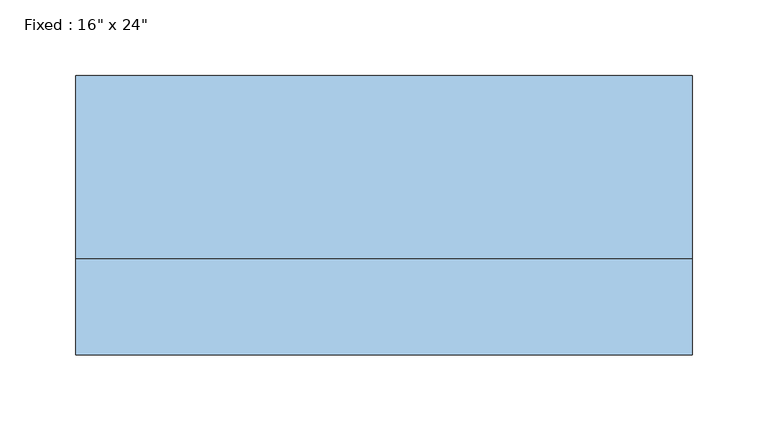
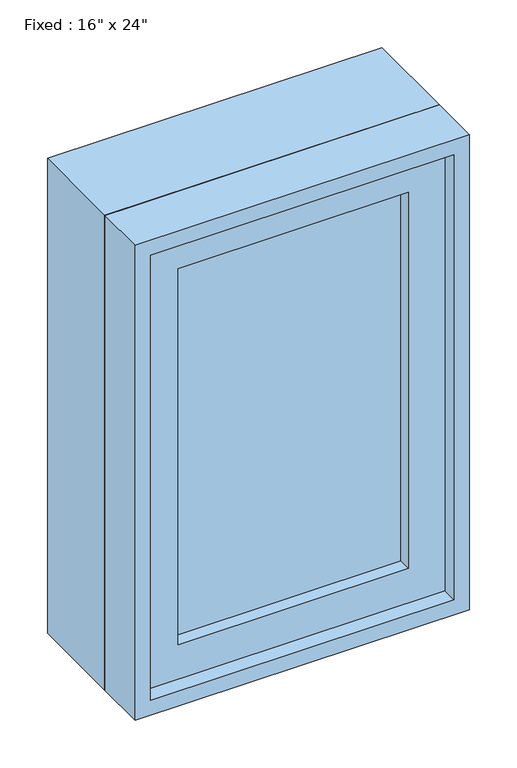
"""IFC4 building model written with IfcOpenShell, lengths in millimetres: window geometry."""

import ifcopenshell
import ifcopenshell.guid

model = None  # the IFC model being written
_history = None  # IfcOwnerHistory: only IFC2X3 demands one
_inside = {}  # id of a spatial element -> (the spatial element, [elements in it])
_under = {}  # id of a project, library or spatial element -> (it, [spatial elements below it])
_declared = {}  # id of a project -> (the project, [libraries it declares])
_typed = {}  # id of a type object -> (the type object, [elements of that type])
_made_of = {}  # id of a material, layer set ... -> (it, [elements and type objects made of it])


def new_model(schema):
    """Start an empty IFC model of exactly this schema.

    Asked for "IFC4X3", IfcOpenShell would pick the latest addendum, in which some entities
    have other attributes; the version numbers below select the first issue.
    IFC2X3 requires an IfcOwnerHistory on every rooted entity: one is made here for all.
    """
    global model, _history
    if schema == "IFC4X3":
        model = ifcopenshell.file(schema_version=(4, 3, 0, 0))
    else:
        model = ifcopenshell.file(schema=schema)
    _inside.clear()
    _under.clear()
    _declared.clear()
    _typed.clear()
    _made_of.clear()
    _history = None
    if model.schema == "IFC2X3":
        org = make("IfcOrganization", Name="unknown")
        user = make(
            "IfcPersonAndOrganization",
            ThePerson=make("IfcPerson", FamilyName="unknown"),
            TheOrganization=org,
        )
        app = make(
            "IfcApplication",
            ApplicationDeveloper=org,
            Version="unknown",
            ApplicationFullName="unknown",
            ApplicationIdentifier="unknown",
        )
        _history = make(
            "IfcOwnerHistory",
            OwningUser=user,
            OwningApplication=app,
            ChangeAction="ADDED",
            CreationDate=0,
        )
    return model


def make(cls, **values):
    """One entity of the class cls with the attributes given. An attribute that is None is left unset."""
    return model.create_entity(
        cls, **{name: value for name, value in values.items() if value is not None}
    )


def rooted(cls, **values):
    """An entity with a GlobalId (a new one), such as an element, a storey or a relation."""
    return make(cls, GlobalId=ifcopenshell.guid.new(), OwnerHistory=_history, **values)


def si_unit(unit_type, name, prefix=None):
    """IfcSIUnit, for example si_unit("LENGTHUNIT", "METRE", prefix="MILLI")."""
    return make("IfcSIUnit", UnitType=unit_type, Prefix=prefix, Name=name)


def assignment(units):
    """IfcUnitAssignment: the units of a project."""
    return None if units is None else make("IfcUnitAssignment", Units=units)


def point(xyz):
    """IfcCartesianPoint."""
    return None if xyz is None else make("IfcCartesianPoint", Coordinates=xyz)


def direction(xyz):
    """IfcDirection."""
    return None if xyz is None else make("IfcDirection", DirectionRatios=xyz)


def frame(location, z_axis=None, x_axis=None):
    """IfcAxis2Placement3D, a coordinate frame: its origin and axes. An axis left out is left unset."""
    return make(
        "IfcAxis2Placement3D",
        Location=point(location),
        Axis=direction(z_axis),
        RefDirection=direction(x_axis),
    )


def origin():
    """The frame at (0, 0, 0) with its axes left unset."""
    return frame((0.0, 0.0, 0.0))


def place(relative_to, where):
    """IfcLocalPlacement: puts the frame where relative to a parent placement (None: the world)."""
    return make(
        "IfcLocalPlacement", PlacementRelTo=relative_to, RelativePlacement=where
    )


def context(
    kind, dimensions, precision=None, world=None, true_north=None, identifier=None
):
    """IfcGeometricRepresentationContext, for example the 3D "Model" context."""
    return make(
        "IfcGeometricRepresentationContext",
        ContextIdentifier=identifier,
        ContextType=kind,
        CoordinateSpaceDimension=dimensions,
        Precision=precision,
        WorldCoordinateSystem=world,
        TrueNorth=true_north,
    )


def project(units=None, contexts=None):
    """IfcProject with its units and contexts."""
    return rooted(
        "IfcProject",
        Name="project",
        RepresentationContexts=contexts,
        UnitsInContext=assignment(units),
    )


def spatial(cls, under=None, at=None, **own):
    """A site, building, storey or space (cls), placed at a placement, below another one or the project."""
    s = rooted(cls, ObjectPlacement=at, **own)
    if under is not None:
        _under.setdefault(under.id(), (under, []))[1].append(s)
    return s


def polyline(points):
    """IfcPolyline through the points."""
    return make("IfcPolyline", Points=[point(p) for p in points])


def outline(outer, holes=None, kind="AREA"):
    """IfcArbitraryClosedProfileDef: a profile drawn as a closed curve; with holes, ...WithVoids."""
    if holes is None:
        return make("IfcArbitraryClosedProfileDef", ProfileType=kind, OuterCurve=outer)
    return make(
        "IfcArbitraryProfileDefWithVoids",
        ProfileType=kind,
        OuterCurve=outer,
        InnerCurves=holes,
    )


def extrude(swept, where, along, depth):
    """IfcExtrudedAreaSolid: the profile swept, set in the frame where, extruded along a direction by depth."""
    return make(
        "IfcExtrudedAreaSolid",
        SweptArea=swept,
        Position=where,
        ExtrudedDirection=direction(along),
        Depth=depth,
    )


def shape(context_of_items, identifier, shape_type, items):
    """IfcShapeRepresentation: the items that make up one representation, for example the "Body"."""
    return make(
        "IfcShapeRepresentation",
        ContextOfItems=context_of_items,
        RepresentationIdentifier=identifier,
        RepresentationType=shape_type,
        Items=items,
    )


def source(mapping_origin, context_of_items, identifier, shape_type, items):
    """IfcRepresentationMap: a shape defined once, which mapped items show again and again."""
    return make(
        "IfcRepresentationMap",
        MappingOrigin=mapping_origin,
        MappedRepresentation=shape(context_of_items, identifier, shape_type, items),
    )


def transform(
    local_origin,
    x_axis=None,
    y_axis=None,
    z_axis=None,
    scale=None,
    scale2=None,
    scale3=None,
    uniform=True,
):
    """IfcCartesianTransformationOperator3D, or its non-uniform kind. x_axis, y_axis, z_axis: its Axis1, 2, 3."""
    if uniform:
        return make(
            "IfcCartesianTransformationOperator3D",
            Axis1=direction(x_axis),
            Axis2=direction(y_axis),
            LocalOrigin=point(local_origin),
            Scale=scale,
            Axis3=direction(z_axis),
        )
    return make(
        "IfcCartesianTransformationOperator3DnonUniform",
        Axis1=direction(x_axis),
        Axis2=direction(y_axis),
        LocalOrigin=point(local_origin),
        Scale=scale,
        Axis3=direction(z_axis),
        Scale2=scale2,
        Scale3=scale3,
    )


def mapped(mapping_source, mapping_target):
    """IfcMappedItem: shows the shape of a source again, moved by a transform."""
    return make(
        "IfcMappedItem", MappingSource=mapping_source, MappingTarget=mapping_target
    )


def made_of(thing, what):
    """Note that an element or type object is made of a material, layer set ...; save() writes the relation."""
    if what is not None:
        _made_of.setdefault(what.id(), (what, []))[1].append(thing)
    return thing


def element(
    cls,
    number,
    at=None,
    inside=None,
    cuts=None,
    type_object=None,
    material=None,
    context=None,
    identifier="Body",
    shape_type=None,
    held_by="IfcProductDefinitionShape",
    body=None,
    shapes=None,
    **own,
):
    """One element of the class cls, such as IfcWall. Its Tag is "e" and its number.

    at: its placement. inside: the storey or other place that contains it. cuts: it is an
    opening in that element (IfcRelVoidsElement). A single representation is given by context,
    identifier, shape_type and body (its items); several are given by shapes. held_by: the class
    of the entity that holds the representations. save() writes the other relations.
    """
    e = rooted(cls, Tag="e%d" % number, ObjectPlacement=at, **own)
    if body is not None:
        shapes = [shape(context, identifier, shape_type, body)]
    if shapes is not None:
        e.Representation = make(held_by, Representations=shapes)
    if inside is not None:
        _inside.setdefault(inside.id(), (inside, []))[1].append(e)
    if cuts is not None:
        rooted(
            "IfcRelVoidsElement", RelatingBuildingElement=cuts, RelatedOpeningElement=e
        )
    if type_object is not None:
        _typed.setdefault(type_object.id(), (type_object, []))[1].append(e)
    return made_of(e, material)


def aggregate(whole, parts):
    """IfcRelAggregates: a whole, such as a stair, and the parts it consists of."""
    return rooted("IfcRelAggregates", RelatingObject=whole, RelatedObjects=parts)


def save(model, path):
    """Write the relations noted so far, then the file.

    IfcRelAggregates (storeys below a building ...), IfcRelContainedInSpatialStructure (elements
    in a storey), IfcRelDefinesByType, IfcRelAssociatesMaterial and IfcRelDeclares: one each for
    every whole, place, type object, material and project.
    """
    for whole, parts in _under.values():
        aggregate(whole, parts)
    for where, things in _inside.values():
        rooted(
            "IfcRelContainedInSpatialStructure",
            RelatedElements=things,
            RelatingStructure=where,
        )
    for kind, things in _typed.values():
        rooted("IfcRelDefinesByType", RelatedObjects=things, RelatingType=kind)
    for what, things in _made_of.values():
        rooted("IfcRelAssociatesMaterial", RelatedObjects=things, RelatingMaterial=what)
    for by, libraries in _declared.values():
        rooted("IfcRelDeclares", RelatingContext=by, RelatedDefinitions=libraries)
    model.write(path)


def window_a17e371b(model_context):
    return source(origin(), model_context, "Body", "SweptSolid", [
        extrude(outline(polyline([(101.6, -44.45), (101.6, -57.15), (-177.8, -57.15), (-177.8, -44.45), (101.6, -44.45)])), frame((0.0, 0.0, 977.9), z_axis=(0.0, 0.0, 1.0), x_axis=(1.0, 0.0, 0.0)), (0.0, 0.0, 1.0), 482.6),
        extrude(outline(polyline([(1504.95, -222.25), (933.45, -222.25), (933.45, 146.05), (1504.95, 146.05), (1504.95, -222.25)]), holes=[polyline([(1460.5, -177.8), (1460.5, 101.6), (977.9, 101.6), (977.9, -177.8), (1460.5, -177.8)])]), frame((0.0, -73.025, 0.0), z_axis=(0.0, 1.0, 0.0), x_axis=(0.0, 0.0, 1.0)), (0.0, 0.0, 1.0), 44.45),
        extrude(outline(polyline([(1524.0, -241.3), (914.4, -241.3), (914.4, 165.1), (1524.0, 165.1), (1524.0, -241.3)]), holes=[polyline([(1492.25, -209.55), (1492.25, 133.35), (946.15, 133.35), (946.15, -209.55), (1492.25, -209.55)])]), frame((0.0, -28.575, 0.0), z_axis=(0.0, 1.0, 0.0), x_axis=(0.0, 0.0, 1.0)), (0.0, 0.0, 1.0), 120.65),
        extrude(outline(polyline([(1524.0, 165.1), (1524.0, -241.3), (914.4, -241.3), (914.4, 165.1), (1524.0, 165.1)]), holes=[polyline([(1504.95, 146.05), (933.45, 146.05), (933.45, -222.25), (1504.95, -222.25), (1504.95, 146.05)])]), frame((0.0, -92.075, 0.0), z_axis=(0.0, 1.0, 0.0), x_axis=(0.0, 0.0, 1.0)), (0.0, 0.0, 1.0), 63.5),
    ])


if __name__ == "__main__":
    model = new_model("IFC4")
    model_context = context("Model", 3, world=origin())
    ifc_project = project(units=[si_unit("LENGTHUNIT", "METRE", prefix="MILLI")], contexts=[model_context])
    site = spatial("IfcSite", under=ifc_project)
    building = spatial("IfcBuilding", under=site)
    placement = place(None, origin())
    window_shape = window_a17e371b(model_context)
    element("IfcWindow", 1, ObjectType="Fixed : 16\" x 24\"", at=placement, inside=building, context=model_context, shape_type="MappedRepresentation", body=[
        mapped(window_shape, transform((0.0, 0.0, 0.0), x_axis=(1.0, 0.0, 0.0), y_axis=(0.0, 1.0, 0.0), z_axis=(0.0, 0.0, 1.0))),
    ])
    save(model, "model.ifc")
